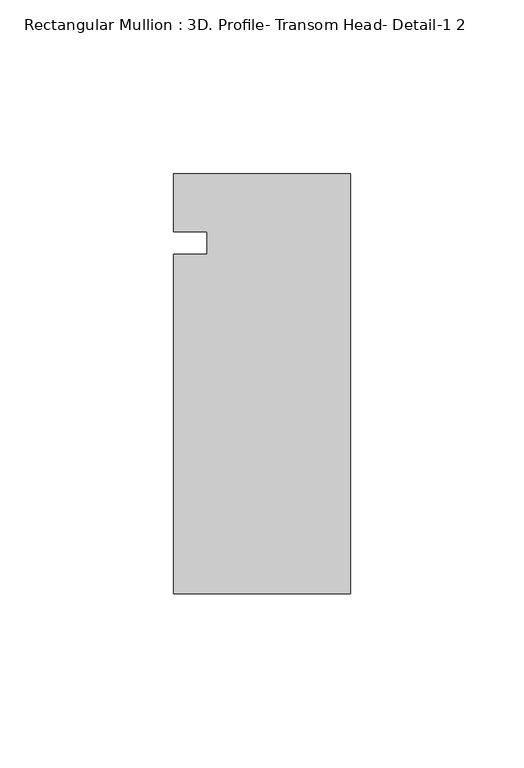
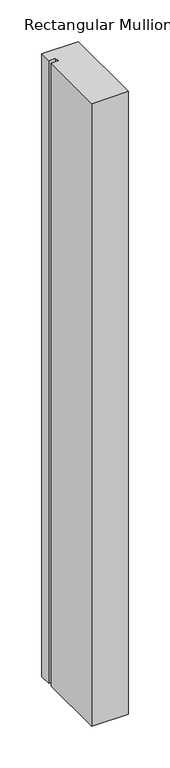
"""IFC4 building model written with IfcOpenShell, lengths in millimetres: member geometry, Rectangular Mullion : 3D. Profile- Transom Head- Detail-1 2."""

from ifc_helpers import new_model, si_unit, frame, origin, place, context, project, spatial, polyline, outline, extrude, source, transform, mapped, element, save


def rectangular_mullion_3d_profile_transom_head_detail_1_2_1a431250(model_context):
    return source(origin(), model_context, "Body", "SweptSolid", [
        extrude(outline(polyline([(-41.275, 54.4756698), (-41.275, 60.9159082), (-50.7746, 60.9159082), (-50.7746, 77.6071836), (0.0, 77.6071836), (0.0, -43.0428164), (-50.8, -43.0428164), (-50.8, 54.4756698), (-41.275, 54.4756698)])), frame((0.0, 0.0, -914.4), z_axis=(0.0, 0.0, 1.0), x_axis=(1.0, 0.0, 0.0)), (0.0, 0.0, 1.0), 914.4),
    ])


if __name__ == "__main__":
    model = new_model("IFC4")
    model_context = context("Model", 3, world=origin())
    ifc_project = project(units=[si_unit("LENGTHUNIT", "METRE", prefix="MILLI")], contexts=[model_context])
    site = spatial("IfcSite", under=ifc_project)
    building = spatial("IfcBuilding", under=site)
    placement = place(None, origin())
    rectangular_mullion_3d_profile_transom_head_detail_1_2_shape = rectangular_mullion_3d_profile_transom_head_detail_1_2_1a431250(model_context)
    element("IfcMember", 1, ObjectType="Rectangular Mullion : 3D. Profile- Transom Head- Detail-1 2", at=placement, inside=building, context=model_context, shape_type="MappedRepresentation", body=[
        mapped(rectangular_mullion_3d_profile_transom_head_detail_1_2_shape, transform((0.0, 0.0, 0.0), x_axis=(1.0, 0.0, 0.0), y_axis=(0.0, 1.0, 0.0), z_axis=(0.0, 0.0, 1.0))),
    ])
    save(model, "model.ifc")
